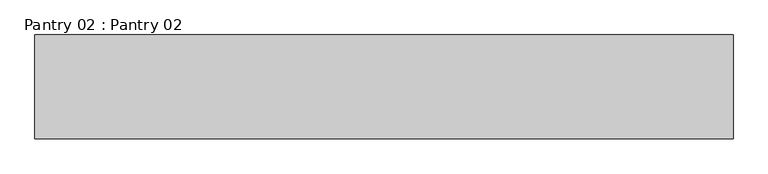
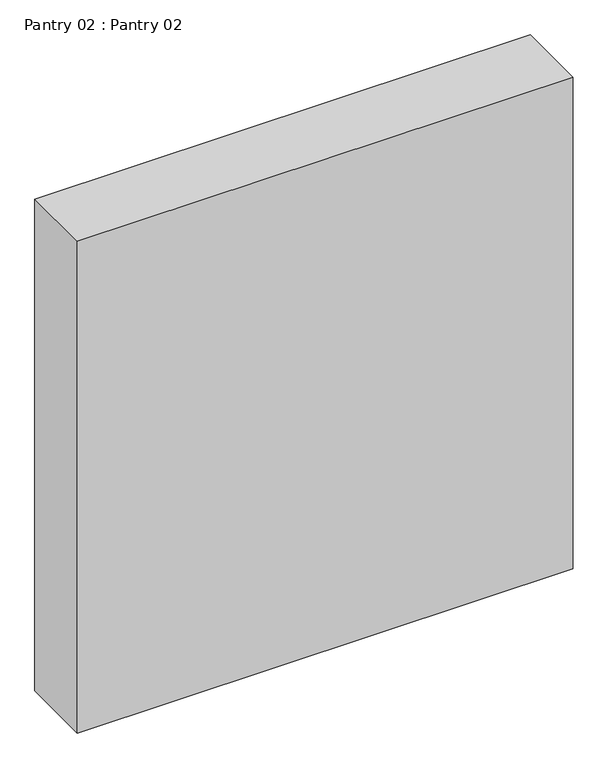
"""IFC4 building model written with IfcOpenShell, lengths in millimetres: furniture geometry, Pantry 02 : Pantry 02."""

import ifcopenshell
import ifcopenshell.guid

model = None  # the IFC model being written
_history = None  # IfcOwnerHistory: only IFC2X3 demands one
_inside = {}  # id of a spatial element -> (the spatial element, [elements in it])
_under = {}  # id of a project, library or spatial element -> (it, [spatial elements below it])
_declared = {}  # id of a project -> (the project, [libraries it declares])
_typed = {}  # id of a type object -> (the type object, [elements of that type])
_made_of = {}  # id of a material, layer set ... -> (it, [elements and type objects made of it])


def new_model(schema):
    """Start an empty IFC model of exactly this schema.

    Asked for "IFC4X3", IfcOpenShell would pick the latest addendum, in which some entities
    have other attributes; the version numbers below select the first issue.
    IFC2X3 requires an IfcOwnerHistory on every rooted entity: one is made here for all.
    """
    global model, _history
    if schema == "IFC4X3":
        model = ifcopenshell.file(schema_version=(4, 3, 0, 0))
    else:
        model = ifcopenshell.file(schema=schema)
    _inside.clear()
    _under.clear()
    _declared.clear()
    _typed.clear()
    _made_of.clear()
    _history = None
    if model.schema == "IFC2X3":
        org = make("IfcOrganization", Name="unknown")
        user = make(
            "IfcPersonAndOrganization",
            ThePerson=make("IfcPerson", FamilyName="unknown"),
            TheOrganization=org,
        )
        app = make(
            "IfcApplication",
            ApplicationDeveloper=org,
            Version="unknown",
            ApplicationFullName="unknown",
            ApplicationIdentifier="unknown",
        )
        _history = make(
            "IfcOwnerHistory",
            OwningUser=user,
            OwningApplication=app,
            ChangeAction="ADDED",
            CreationDate=0,
        )
    return model


def make(cls, **values):
    """One entity of the class cls with the attributes given. An attribute that is None is left unset."""
    return model.create_entity(
        cls, **{name: value for name, value in values.items() if value is not None}
    )


def rooted(cls, **values):
    """An entity with a GlobalId (a new one), such as an element, a storey or a relation."""
    return make(cls, GlobalId=ifcopenshell.guid.new(), OwnerHistory=_history, **values)


def si_unit(unit_type, name, prefix=None):
    """IfcSIUnit, for example si_unit("LENGTHUNIT", "METRE", prefix="MILLI")."""
    return make("IfcSIUnit", UnitType=unit_type, Prefix=prefix, Name=name)


def assignment(units):
    """IfcUnitAssignment: the units of a project."""
    return None if units is None else make("IfcUnitAssignment", Units=units)


def point(xyz):
    """IfcCartesianPoint."""
    return None if xyz is None else make("IfcCartesianPoint", Coordinates=xyz)


def direction(xyz):
    """IfcDirection."""
    return None if xyz is None else make("IfcDirection", DirectionRatios=xyz)


def frame(location, z_axis=None, x_axis=None):
    """IfcAxis2Placement3D, a coordinate frame: its origin and axes. An axis left out is left unset."""
    return make(
        "IfcAxis2Placement3D",
        Location=point(location),
        Axis=direction(z_axis),
        RefDirection=direction(x_axis),
    )


def origin():
    """The frame at (0, 0, 0) with its axes left unset."""
    return frame((0.0, 0.0, 0.0))


def place(relative_to, where):
    """IfcLocalPlacement: puts the frame where relative to a parent placement (None: the world)."""
    return make(
        "IfcLocalPlacement", PlacementRelTo=relative_to, RelativePlacement=where
    )


def context(
    kind, dimensions, precision=None, world=None, true_north=None, identifier=None
):
    """IfcGeometricRepresentationContext, for example the 3D "Model" context."""
    return make(
        "IfcGeometricRepresentationContext",
        ContextIdentifier=identifier,
        ContextType=kind,
        CoordinateSpaceDimension=dimensions,
        Precision=precision,
        WorldCoordinateSystem=world,
        TrueNorth=true_north,
    )


def project(units=None, contexts=None):
    """IfcProject with its units and contexts."""
    return rooted(
        "IfcProject",
        Name="project",
        RepresentationContexts=contexts,
        UnitsInContext=assignment(units),
    )


def spatial(cls, under=None, at=None, **own):
    """A site, building, storey or space (cls), placed at a placement, below another one or the project."""
    s = rooted(cls, ObjectPlacement=at, **own)
    if under is not None:
        _under.setdefault(under.id(), (under, []))[1].append(s)
    return s


def polyline(points):
    """IfcPolyline through the points."""
    return make("IfcPolyline", Points=[point(p) for p in points])


def outline(outer, holes=None, kind="AREA"):
    """IfcArbitraryClosedProfileDef: a profile drawn as a closed curve; with holes, ...WithVoids."""
    if holes is None:
        return make("IfcArbitraryClosedProfileDef", ProfileType=kind, OuterCurve=outer)
    return make(
        "IfcArbitraryProfileDefWithVoids",
        ProfileType=kind,
        OuterCurve=outer,
        InnerCurves=holes,
    )


def extrude(swept, where, along, depth):
    """IfcExtrudedAreaSolid: the profile swept, set in the frame where, extruded along a direction by depth."""
    return make(
        "IfcExtrudedAreaSolid",
        SweptArea=swept,
        Position=where,
        ExtrudedDirection=direction(along),
        Depth=depth,
    )


def shape(context_of_items, identifier, shape_type, items):
    """IfcShapeRepresentation: the items that make up one representation, for example the "Body"."""
    return make(
        "IfcShapeRepresentation",
        ContextOfItems=context_of_items,
        RepresentationIdentifier=identifier,
        RepresentationType=shape_type,
        Items=items,
    )


def source(mapping_origin, context_of_items, identifier, shape_type, items):
    """IfcRepresentationMap: a shape defined once, which mapped items show again and again."""
    return make(
        "IfcRepresentationMap",
        MappingOrigin=mapping_origin,
        MappedRepresentation=shape(context_of_items, identifier, shape_type, items),
    )


def transform(
    local_origin,
    x_axis=None,
    y_axis=None,
    z_axis=None,
    scale=None,
    scale2=None,
    scale3=None,
    uniform=True,
):
    """IfcCartesianTransformationOperator3D, or its non-uniform kind. x_axis, y_axis, z_axis: its Axis1, 2, 3."""
    if uniform:
        return make(
            "IfcCartesianTransformationOperator3D",
            Axis1=direction(x_axis),
            Axis2=direction(y_axis),
            LocalOrigin=point(local_origin),
            Scale=scale,
            Axis3=direction(z_axis),
        )
    return make(
        "IfcCartesianTransformationOperator3DnonUniform",
        Axis1=direction(x_axis),
        Axis2=direction(y_axis),
        LocalOrigin=point(local_origin),
        Scale=scale,
        Axis3=direction(z_axis),
        Scale2=scale2,
        Scale3=scale3,
    )


def mapped(mapping_source, mapping_target):
    """IfcMappedItem: shows the shape of a source again, moved by a transform."""
    return make(
        "IfcMappedItem", MappingSource=mapping_source, MappingTarget=mapping_target
    )


def made_of(thing, what):
    """Note that an element or type object is made of a material, layer set ...; save() writes the relation."""
    if what is not None:
        _made_of.setdefault(what.id(), (what, []))[1].append(thing)
    return thing


def element(
    cls,
    number,
    at=None,
    inside=None,
    cuts=None,
    type_object=None,
    material=None,
    context=None,
    identifier="Body",
    shape_type=None,
    held_by="IfcProductDefinitionShape",
    body=None,
    shapes=None,
    **own,
):
    """One element of the class cls, such as IfcWall. Its Tag is "e" and its number.

    at: its placement. inside: the storey or other place that contains it. cuts: it is an
    opening in that element (IfcRelVoidsElement). A single representation is given by context,
    identifier, shape_type and body (its items); several are given by shapes. held_by: the class
    of the entity that holds the representations. save() writes the other relations.
    """
    e = rooted(cls, Tag="e%d" % number, ObjectPlacement=at, **own)
    if body is not None:
        shapes = [shape(context, identifier, shape_type, body)]
    if shapes is not None:
        e.Representation = make(held_by, Representations=shapes)
    if inside is not None:
        _inside.setdefault(inside.id(), (inside, []))[1].append(e)
    if cuts is not None:
        rooted(
            "IfcRelVoidsElement", RelatingBuildingElement=cuts, RelatedOpeningElement=e
        )
    if type_object is not None:
        _typed.setdefault(type_object.id(), (type_object, []))[1].append(e)
    return made_of(e, material)


def aggregate(whole, parts):
    """IfcRelAggregates: a whole, such as a stair, and the parts it consists of."""
    return rooted("IfcRelAggregates", RelatingObject=whole, RelatedObjects=parts)


def save(model, path):
    """Write the relations noted so far, then the file.

    IfcRelAggregates (storeys below a building ...), IfcRelContainedInSpatialStructure (elements
    in a storey), IfcRelDefinesByType, IfcRelAssociatesMaterial and IfcRelDeclares: one each for
    every whole, place, type object, material and project.
    """
    for whole, parts in _under.values():
        aggregate(whole, parts)
    for where, things in _inside.values():
        rooted(
            "IfcRelContainedInSpatialStructure",
            RelatedElements=things,
            RelatingStructure=where,
        )
    for kind, things in _typed.values():
        rooted("IfcRelDefinesByType", RelatedObjects=things, RelatingType=kind)
    for what, things in _made_of.values():
        rooted("IfcRelAssociatesMaterial", RelatedObjects=things, RelatingMaterial=what)
    for by, libraries in _declared.values():
        rooted("IfcRelDeclares", RelatingContext=by, RelatedDefinitions=libraries)
    model.write(path)


def pantry_02_pantry_02_5e91c7d8(model_context):
    return source(origin(), model_context, "Body", "SweptSolid", [
        extrude(outline(polyline([(97841.4549398, -27893.1881628), (97841.4549398, -28293.1881628), (95152.9696444, -28293.1881628), (95152.9696444, -27893.1881628), (97841.4549398, -27893.1881628)])), frame((0.0, 0.0, 68000.0), z_axis=(0.0, 0.0, 1.0), x_axis=(1.0, 0.0, 0.0)), (0.0, 0.0, 1.0), 2820.0),
    ])


if __name__ == "__main__":
    model = new_model("IFC4")
    model_context = context("Model", 3, world=origin())
    ifc_project = project(units=[si_unit("LENGTHUNIT", "METRE", prefix="MILLI")], contexts=[model_context])
    site = spatial("IfcSite", under=ifc_project)
    building = spatial("IfcBuilding", under=site)
    placement = place(None, origin())
    pantry_02_pantry_02_shape = pantry_02_pantry_02_5e91c7d8(model_context)
    element("IfcFurniture", 1, ObjectType="Pantry 02 : Pantry 02", at=placement, inside=building, context=model_context, shape_type="MappedRepresentation", body=[
        mapped(pantry_02_pantry_02_shape, transform((0.0, 0.0, 0.0), x_axis=(1.0, 0.0, 0.0), y_axis=(0.0, 1.0, 0.0), z_axis=(0.0, 0.0, 1.0))),
    ])
    save(model, "model.ifc")
